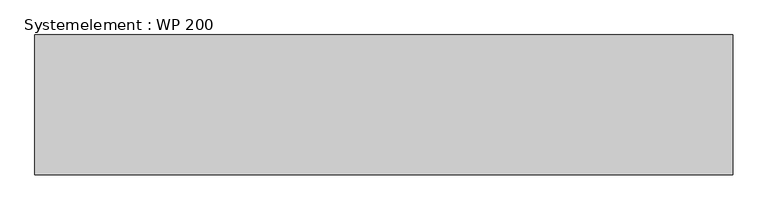
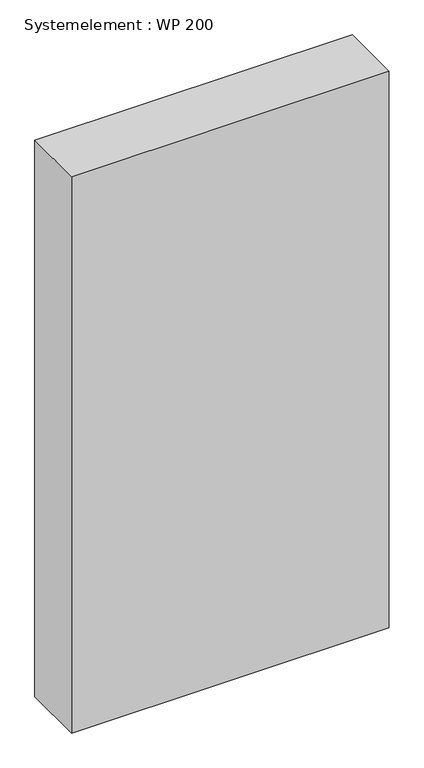
"""IFC4 building model written with IfcOpenShell, lengths in millimetres: plate geometry, Systemelement : WP 200."""

from ifc_helpers import new_model, si_unit, origin, origin_with_axes, place, context, project, spatial, polyline, outline, extrude, source, transform, mapped, element, save


def systemelement_wp_200_e30cd803(model_context):
    return source(origin(), model_context, "Body", "SweptSolid", [
        extrude(outline(polyline([(500.0, -200.0), (-500.0, -200.0), (-500.0, 0.0), (500.0, 0.0), (500.0, -200.0)])), origin_with_axes(), (0.0, 0.0, 1.0), 1851.6147161),
    ])


if __name__ == "__main__":
    model = new_model("IFC4")
    model_context = context("Model", 3, world=origin())
    ifc_project = project(units=[si_unit("LENGTHUNIT", "METRE", prefix="MILLI")], contexts=[model_context])
    site = spatial("IfcSite", under=ifc_project)
    building = spatial("IfcBuilding", under=site)
    placement = place(None, origin())
    systemelement_wp_200_shape = systemelement_wp_200_e30cd803(model_context)
    element("IfcPlate", 1, ObjectType="Systemelement : WP 200", at=placement, inside=building, context=model_context, shape_type="MappedRepresentation", body=[
        mapped(systemelement_wp_200_shape, transform((0.0, 0.0, 0.0), x_axis=(1.0, 0.0, 0.0), y_axis=(0.0, 1.0, 0.0), z_axis=(0.0, 0.0, 1.0))),
    ])
    save(model, "model.ifc")
